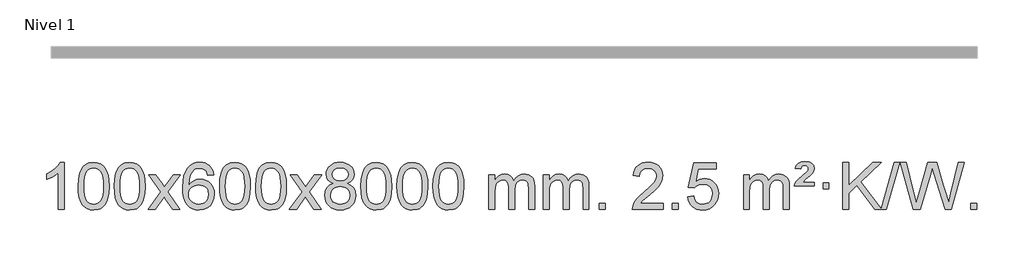
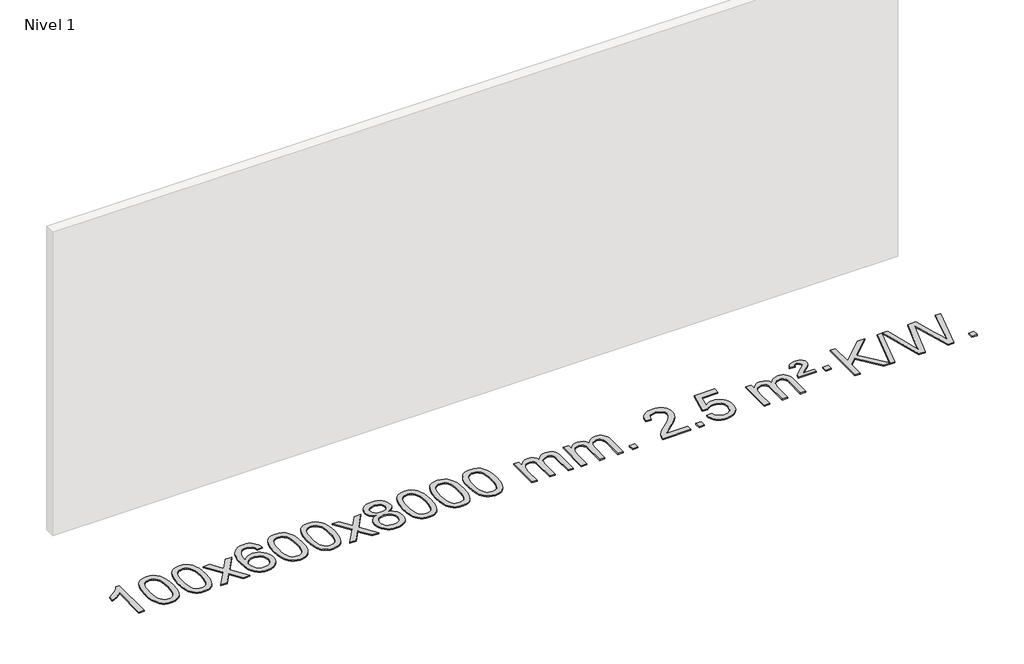
# One storey, part 2 of 14: 1 proxy.
"""IFC4 building model written with IfcOpenShell, lengths in millimetres."""

from ifc_helpers import new_model, si_unit, origin, origin_with_axes, place, context, project, spatial, polyline, outline, extrude, element, save

model = new_model("IFC4")

# Units and contexts
model_context = context("Model", 3, world=origin())
ifc_project = project(units=[si_unit("LENGTHUNIT", "METRE", prefix="MILLI")], contexts=[model_context])

# Site, building, storey
site = spatial("IfcSite", under=ifc_project)
building = spatial("IfcBuilding", under=site)
storey = spatial("IfcBuildingStorey", under=building, Name="Nivel 1", Elevation=0.0)

# Proxy
placement = place(None, origin())
element("IfcBuildingElementProxy", 1, Name="Texto de modelo 1", ObjectType="Texto de modelo 1", at=placement, inside=storey, context=model_context, shape_type="SweptSolid", body=[
    extrude(outline(polyline([(-12921.6378538, -3395.579453), (-12971.8660089, -3395.579453), (-12971.8660089, -3082.4382987), (-12992.8352826, -3099.3976587), (-13019.4454136, -3116.3324932), (-13072.3223191, -3141.6918254), (-13072.3223191, -3094.2105225), (-13032.8731065, -3072.7507395), (-12998.6968691, -3047.219729), (-12971.7556443, -3020.0700378), (-12954.0114694, -2993.7542124), (-12921.6378538, -2993.7542124), (-12921.6378538, -3395.579453)])), origin_with_axes(), (0.0, 0.0, 1.0), 10.0),
    extrude(outline(polyline([(-12802.3459855, -3197.9041943), (-12798.6549029, -3133.5861588), (-12787.5816548, -3082.2911459), (-12769.236606, -3043.2343407), (-12757.378543, -3028.0009605), (-12743.730121, -3015.6309284), (-12728.2453547, -3006.0598651), (-12710.8782588, -2999.2233914), (-12670.4970785, -2993.7542124), (-12639.5459399, -2996.991574), (-12611.832163, -3006.7036586), (-12588.6555973, -3022.5103217), (-12571.3160926, -3044.0314184), (-12558.2194935, -3071.0830078), (-12547.7716449, -3103.4811488), (-12540.9290398, -3144.6226186), (-12538.6481714, -3197.9041943), (-12542.3024659, -3261.8543477), (-12553.2653493, -3313.0267333), (-12571.5000336, -3352.1203266), (-12583.3305054, -3367.3996922), (-12596.9697304, -3379.8341036), (-12612.4728908, -3389.4695462), (-12629.8951689, -3396.3520052), (-12670.4970785, -3401.8579724), (-12698.1618045, -3399.4667394), (-12722.6872709, -3392.2930405), (-12744.0734775, -3380.3368757), (-12762.3204245, -3363.5982449), (-12779.8316074, -3333.3399508), (-12792.3395953, -3295.6381776), (-12799.844388, -3250.4929255), (-12802.3459855, -3197.9041943)]), holes=[polyline([(-12752.1178305, -3197.8060924), (-12750.6463025, -3241.4706195), (-12746.2317185, -3276.8148822), (-12738.8740786, -3303.8388804), (-12728.5733828, -3322.5426142), (-12716.1144459, -3335.2682656), (-12702.2820829, -3344.3580165), (-12687.0762937, -3349.8118671), (-12670.4970785, -3351.6298173), (-12653.9178632, -3349.8057357), (-12638.7120741, -3344.3334911), (-12624.8797111, -3335.2130833), (-12612.4207742, -3322.4445124), (-12602.1200783, -3303.7101217), (-12594.7624384, -3276.6922549), (-12590.3478545, -3241.3909118), (-12588.8763265, -3197.8060924), (-12590.2988035, -3155.2973278), (-12594.5662347, -3120.5753989), (-12601.6786199, -3093.6403055), (-12611.6359592, -3074.4920476), (-12623.8864297, -3061.1440625), (-12637.8782082, -3051.6097875), (-12653.6112949, -3045.8892225), (-12671.0856897, -3043.9823675), (-12687.5790658, -3045.6623619), (-12702.5273375, -3050.7023452), (-12715.9305049, -3059.1023175), (-12727.7885679, -3070.8622786), (-12738.4326203, -3091.708925), (-12746.0355148, -3119.8151094), (-12750.5972516, -3155.1808319), (-12752.1178305, -3197.8060924)])]), origin_with_axes(), (0.0, 0.0, 1.0), 10.0),
    extrude(outline(polyline([(-12494.6985357, -3197.9041943), (-12491.007453, -3133.5861588), (-12479.934205, -3082.2911459), (-12461.5891561, -3043.2343407), (-12449.7310932, -3028.0009605), (-12436.0826711, -3015.6309284), (-12420.5979048, -3006.0598651), (-12403.230809, -2999.2233914), (-12362.8496286, -2993.7542124), (-12331.8984901, -2996.991574), (-12304.1847131, -3006.7036586), (-12281.0081474, -3022.5103217), (-12263.6686427, -3044.0314184), (-12250.5720437, -3071.0830078), (-12240.1241951, -3103.4811488), (-12233.2815899, -3144.6226186), (-12231.0007216, -3197.9041943), (-12234.6550161, -3261.8543477), (-12245.6178995, -3313.0267333), (-12263.8525837, -3352.1203266), (-12275.6830556, -3367.3996922), (-12289.3222805, -3379.8341036), (-12304.825441, -3389.4695462), (-12322.2477191, -3396.3520052), (-12362.8496286, -3401.8579724), (-12390.5143547, -3399.4667394), (-12415.039821, -3392.2930405), (-12436.4260277, -3380.3368757), (-12454.6729746, -3363.5982449), (-12472.1841576, -3333.3399508), (-12484.6921454, -3295.6381776), (-12492.1969381, -3250.4929255), (-12494.6985357, -3197.9041943)]), holes=[polyline([(-12444.4703806, -3197.8060924), (-12442.9988527, -3241.4706195), (-12438.5842687, -3276.8148822), (-12431.2266288, -3303.8388804), (-12420.9259329, -3322.5426142), (-12408.466996, -3335.2682656), (-12394.634633, -3344.3580165), (-12379.4288439, -3349.8118671), (-12362.8496286, -3351.6298173), (-12346.2704134, -3349.8057357), (-12331.0646243, -3344.3334911), (-12317.2322612, -3335.2130833), (-12304.7733243, -3322.4445124), (-12294.4726285, -3303.7101217), (-12287.1149886, -3276.6922549), (-12282.7004046, -3241.3909118), (-12281.2288766, -3197.8060924), (-12282.6513537, -3155.2973278), (-12286.9187848, -3120.5753989), (-12294.0311701, -3093.6403055), (-12303.9885094, -3074.4920476), (-12316.2389799, -3061.1440625), (-12330.2307584, -3051.6097875), (-12345.9638451, -3045.8892225), (-12363.4382398, -3043.9823675), (-12379.931616, -3045.6623619), (-12394.8798877, -3050.7023452), (-12408.283055, -3059.1023175), (-12420.141118, -3070.8622786), (-12430.7851704, -3091.708925), (-12438.388065, -3119.8151094), (-12442.9498017, -3155.1808319), (-12444.4703806, -3197.8060924)])]), origin_with_axes(), (0.0, 0.0, 1.0), 10.0),
    extrude(outline(polyline([(-12205.886644, -3395.579453), (-12098.5632033, -3247.2494325), (-12199.6081246, -3100.4890419), (-12139.1773756, -3100.4890419), (-12090.4207485, -3171.122385), (-12067.6611157, -3204.4770192), (-12047.9426408, -3177.2047007), (-11992.416985, -3100.4890419), (-11931.9862359, -3100.4890419), (-12038.1324542, -3247.2494325), (-11935.9103105, -3395.579453), (-11996.3410596, -3395.579453), (-12057.8509292, -3306.4048574), (-12069.1326437, -3290.1199477), (-12145.455895, -3395.579453), (-12205.886644, -3395.579453)])), origin_with_axes(), (0.0, 0.0, 1.0), 10.0),
    extrude(outline(polyline([(-11647.0984188, -3100.4890419), (-11697.3265739, -3106.7675613), (-11705.4199778, -3081.874213), (-11716.3583358, -3064.8780648), (-11739.142494, -3049.2062918), (-11766.6845927, -3043.9823675), (-11790.0328367, -3047.0235253), (-11812.0076545, -3056.1469988), (-11830.8800009, -3075.3627017), (-11846.2942565, -3101.8134171), (-11856.7053169, -3139.227016), (-11860.5680779, -3191.3313693), (-11840.4204073, -3167.8237098), (-11816.2750857, -3151.2567573), (-11789.4810137, -3141.434308), (-11761.387092, -3138.1601582), (-11737.2540331, -3140.398107), (-11714.9849097, -3147.1119534), (-11694.5797217, -3158.3016975), (-11676.0384691, -3173.9673391), (-11660.6303449, -3193.1769106), (-11649.6245419, -3214.9984443), (-11643.02106, -3239.4319401), (-11640.8198994, -3266.4773982), (-11644.9647033, -3302.4439945), (-11657.3991147, -3335.786366), (-11677.0930642, -3364.0642287), (-11703.0164821, -3384.8372987), (-11733.9921461, -3397.602804), (-11768.8428338, -3401.8579724), (-11798.7853625, -3399.0375437), (-11825.8277548, -3390.5762579), (-11849.9700107, -3376.4741147), (-11871.2121303, -3356.7311143), (-11888.5301752, -3330.5133908), (-11900.9002073, -3296.9870783), (-11908.3222266, -3256.1521768), (-11910.796233, -3208.0086864), (-11908.0493807, -3154.0342663), (-11899.808824, -3107.9693092), (-11886.0745629, -3069.8138149), (-11866.8465973, -3039.5677835), (-11846.0060823, -3019.5243462), (-11821.8423665, -3005.2076052), (-11794.3554501, -2996.6175606), (-11763.545333, -2993.7542124), (-11740.4116869, -2995.5261773), (-11719.47307, -3000.8420722), (-11700.7294824, -3009.7018969), (-11684.1809239, -3022.1056515), (-11670.2749845, -3037.6364031), (-11659.4592539, -3055.8772186), (-11651.733732, -3076.8280983), (-11647.0984188, -3100.4890419)]), holes=[polyline([(-11860.5680779, -3265.6925832), (-11857.6618101, -3287.9494439), (-11848.9430068, -3309.2007605), (-11835.4049494, -3327.472233), (-11818.0409193, -3340.7895612), (-11797.0839083, -3348.9197533), (-11772.7669084, -3351.6298173), (-11739.6207406, -3346.0134855), (-11725.7056041, -3338.9930708), (-11713.5624326, -3329.1644901), (-11703.7123922, -3316.9262824), (-11696.676649, -3302.6769865), (-11691.0480545, -3268.1451299), (-11696.6030726, -3234.9989621), (-11703.5468453, -3221.3781312), (-11713.268127, -3209.725469), (-11725.4480867, -3200.3904634), (-11739.7678934, -3193.7226022), (-11774.8270476, -3188.3883133), (-11807.9241644, -3193.7226022), (-11835.6011532, -3209.725469), (-11846.5241827, -3221.2248471), (-11854.3263467, -3234.3858254), (-11859.0076451, -3249.2084042), (-11860.5680779, -3265.6925832)])]), origin_with_axes(), (0.0, 0.0, 1.0), 10.0),
    extrude(outline(polyline([(-11596.8702638, -3197.9041943), (-11593.1791811, -3133.5861588), (-11582.105933, -3082.2911459), (-11563.7608842, -3043.2343407), (-11551.9028212, -3028.0009605), (-11538.2543992, -3015.6309284), (-11522.7696329, -3006.0598651), (-11505.402537, -2999.2233914), (-11465.0213567, -2993.7542124), (-11434.0702182, -2996.991574), (-11406.3564412, -3006.7036586), (-11383.1798755, -3022.5103217), (-11365.8403708, -3044.0314184), (-11352.7437718, -3071.0830078), (-11342.2959231, -3103.4811488), (-11335.453318, -3144.6226186), (-11333.1724496, -3197.9041943), (-11336.8267441, -3261.8543477), (-11347.7896275, -3313.0267333), (-11366.0243118, -3352.1203266), (-11377.8547836, -3367.3996922), (-11391.4940086, -3379.8341036), (-11406.997169, -3389.4695462), (-11424.4194471, -3396.3520052), (-11465.0213567, -3401.8579724), (-11492.6860827, -3399.4667394), (-11517.2115491, -3392.2930405), (-11538.5977557, -3380.3368757), (-11556.8447027, -3363.5982449), (-11574.3558856, -3333.3399508), (-11586.8638735, -3295.6381776), (-11594.3686662, -3250.4929255), (-11596.8702638, -3197.9041943)]), holes=[polyline([(-11546.6421087, -3197.8060924), (-11545.1705807, -3241.4706195), (-11540.7559968, -3276.8148822), (-11533.3983568, -3303.8388804), (-11523.097661, -3322.5426142), (-11510.6387241, -3335.2682656), (-11496.8063611, -3344.3580165), (-11481.6005719, -3349.8118671), (-11465.0213567, -3351.6298173), (-11448.4421414, -3349.8057357), (-11433.2363523, -3344.3334911), (-11419.4039893, -3335.2130833), (-11406.9450524, -3322.4445124), (-11396.6443565, -3303.7101217), (-11389.2867166, -3276.6922549), (-11384.8721327, -3241.3909118), (-11383.4006047, -3197.8060924), (-11384.8230817, -3155.2973278), (-11389.0905129, -3120.5753989), (-11396.2028981, -3093.6403055), (-11406.1602375, -3074.4920476), (-11418.4107079, -3061.1440625), (-11432.4024864, -3051.6097875), (-11448.1355731, -3045.8892225), (-11465.6099679, -3043.9823675), (-11482.103344, -3045.6623619), (-11497.0516157, -3050.7023452), (-11510.4547831, -3059.1023175), (-11522.3128461, -3070.8622786), (-11532.9568985, -3091.708925), (-11540.559793, -3119.8151094), (-11545.1215298, -3155.1808319), (-11546.6421087, -3197.8060924)])]), origin_with_axes(), (0.0, 0.0, 1.0), 10.0),
    extrude(outline(polyline([(-11289.2228139, -3197.9041943), (-11285.5317312, -3133.5861588), (-11274.4584832, -3082.2911459), (-11256.1134344, -3043.2343407), (-11244.2553714, -3028.0009605), (-11230.6069494, -3015.6309284), (-11215.122183, -3006.0598651), (-11197.7550872, -2999.2233914), (-11157.3739068, -2993.7542124), (-11126.4227683, -2996.991574), (-11098.7089913, -3006.7036586), (-11075.5324257, -3022.5103217), (-11058.1929209, -3044.0314184), (-11045.0963219, -3071.0830078), (-11034.6484733, -3103.4811488), (-11027.8058681, -3144.6226186), (-11025.5249998, -3197.9041943), (-11029.1792943, -3261.8543477), (-11040.1421777, -3313.0267333), (-11058.3768619, -3352.1203266), (-11070.2073338, -3367.3996922), (-11083.8465587, -3379.8341036), (-11099.3497192, -3389.4695462), (-11116.7719973, -3396.3520052), (-11157.3739068, -3401.8579724), (-11185.0386329, -3399.4667394), (-11209.5640992, -3392.2930405), (-11230.9503059, -3380.3368757), (-11249.1972528, -3363.5982449), (-11266.7084358, -3333.3399508), (-11279.2164236, -3295.6381776), (-11286.7212164, -3250.4929255), (-11289.2228139, -3197.9041943)]), holes=[polyline([(-11238.9946588, -3197.8060924), (-11237.5231309, -3241.4706195), (-11233.1085469, -3276.8148822), (-11225.750907, -3303.8388804), (-11215.4502112, -3322.5426142), (-11202.9912742, -3335.2682656), (-11189.1589112, -3344.3580165), (-11173.9531221, -3349.8118671), (-11157.3739068, -3351.6298173), (-11140.7946916, -3349.8057357), (-11125.5889025, -3344.3334911), (-11111.7565394, -3335.2130833), (-11099.2976025, -3322.4445124), (-11088.9969067, -3303.7101217), (-11081.6392668, -3276.6922549), (-11077.2246828, -3241.3909118), (-11075.7531548, -3197.8060924), (-11077.1756319, -3155.2973278), (-11081.443063, -3120.5753989), (-11088.5554483, -3093.6403055), (-11098.5127876, -3074.4920476), (-11110.7632581, -3061.1440625), (-11124.7550366, -3051.6097875), (-11140.4881233, -3045.8892225), (-11157.962518, -3043.9823675), (-11174.4558942, -3045.6623619), (-11189.4041659, -3050.7023452), (-11202.8073333, -3059.1023175), (-11214.6653962, -3070.8622786), (-11225.3094486, -3091.708925), (-11232.9123432, -3119.8151094), (-11237.4740799, -3155.1808319), (-11238.9946588, -3197.8060924)])]), origin_with_axes(), (0.0, 0.0, 1.0), 10.0),
    extrude(outline(polyline([(-11000.4109222, -3395.579453), (-10893.0874815, -3247.2494325), (-10994.1324029, -3100.4890419), (-10933.7016538, -3100.4890419), (-10884.9450267, -3171.122385), (-10862.1853939, -3204.4770192), (-10842.466919, -3177.2047007), (-10786.9412632, -3100.4890419), (-10726.5105141, -3100.4890419), (-10832.6567324, -3247.2494325), (-10730.4345887, -3395.579453), (-10790.8653378, -3395.579453), (-10852.3752074, -3306.4048574), (-10863.6569219, -3290.1199477), (-10939.9801732, -3395.579453), (-11000.4109222, -3395.579453)])), origin_with_axes(), (0.0, 0.0, 1.0), 10.0),
    extrude(outline(polyline([(-10625.8580002, -3174.2616447), (-10652.7501741, -3161.0178929), (-10671.6225204, -3143.0652515), (-10682.7693449, -3120.7716026), (-10686.484953, -3094.5048281), (-10684.461602, -3074.0199324), (-10678.3915491, -3055.2395565), (-10668.2747943, -3038.1637006), (-10654.1113374, -3022.7923645), (-10636.5817604, -3010.088173), (-10616.3666447, -3001.0137504), (-10593.4659905, -2995.5690969), (-10567.8797978, -2993.7542124), (-10542.1709777, -2995.6120165), (-10519.0986452, -3001.1854287), (-10498.6628004, -3010.4744491), (-10480.8634432, -3023.4790776), (-10466.442469, -3039.1508506), (-10456.1417731, -3056.4413044), (-10449.9613556, -3075.3504389), (-10447.9012164, -3095.8782543), (-10451.5677736, -3121.2989001), (-10462.5674453, -3143.2124043), (-10481.0228587, -3161.0546811), (-10507.0566412, -3174.2616447), (-10476.1422909, -3190.1909351), (-10453.6401755, -3213.6495436), (-10439.9181771, -3243.5092989), (-10435.3441776, -3278.6420295), (-10437.6127833, -3303.6947933), (-10444.4186002, -3326.6628926), (-10455.7616284, -3347.5463272), (-10471.6418678, -3366.3450971), (-10491.2254527, -3381.88198), (-10513.6785172, -3392.9797536), (-10539.0010612, -3399.6384177), (-10567.1930847, -3401.8579724), (-10595.3851083, -3399.6292206), (-10620.7076523, -3392.9429654), (-10643.1607167, -3381.7992066), (-10662.7443016, -3366.1979443), (-10678.6245411, -3347.26735), (-10689.9675692, -3326.135595), (-10696.7733862, -3302.8026795), (-10699.0419918, -3277.2686033), (-10694.2840513, -3240.7747094), (-10680.0102299, -3210.7555386), (-10656.9562915, -3188.2411605), (-10625.8580002, -3174.2616447)]), holes=[polyline([(-10636.2567979, -3095.9763561), (-10631.8054258, -3117.902123), (-10618.4513094, -3135.413306), (-10596.5868561, -3146.8912243), (-10566.6044735, -3150.717197), (-10537.3210667, -3146.9157497), (-10515.7877073, -3135.5114079), (-10502.5439554, -3118.5888361), (-10498.1293715, -3098.232699), (-10502.6911082, -3077.1040098), (-10516.3763185, -3059.629615), (-10538.2039835, -3047.8941794), (-10567.1930847, -3043.9823675), (-10596.3661269, -3047.8083402), (-10618.1570038, -3059.2862585), (-10631.7318494, -3076.1107284), (-10636.2567979, -3095.9763561)]), polyline([(-10648.8138367, -3275.5027698), (-10646.7169093, -3294.7184726), (-10640.4261272, -3313.3210389), (-10628.8133189, -3329.5446349), (-10610.7503129, -3341.623427), (-10589.1188516, -3349.1282197), (-10566.8006773, -3351.6298173), (-10532.6121772, -3346.3691048), (-10518.7185005, -3339.7932141), (-10506.9585394, -3330.5869672), (-10490.9188844, -3306.6869002), (-10485.5723327, -3277.0723996), (-10491.0905626, -3246.9551269), (-10507.6452524, -3222.5277625), (-10519.7240446, -3213.0854579), (-10533.8875014, -3206.3409547), (-10568.468409, -3200.9453521), (-10602.1786625, -3206.2673783), (-10615.9159893, -3212.919911), (-10627.5747829, -3222.2334569), (-10643.5040733, -3246.1948375), (-10648.8138367, -3275.5027698)])]), origin_with_axes(), (0.0, 0.0, 1.0), 10.0),
    extrude(outline(polyline([(-10391.394542, -3197.9041943), (-10387.7034593, -3133.5861588), (-10376.6302112, -3082.2911459), (-10358.2851624, -3043.2343407), (-10346.4270994, -3028.0009605), (-10332.7786774, -3015.6309284), (-10317.2939111, -3006.0598651), (-10299.9268152, -2999.2233914), (-10259.5456349, -2993.7542124), (-10228.5944964, -2996.991574), (-10200.8807194, -3006.7036586), (-10177.7041537, -3022.5103217), (-10160.364649, -3044.0314184), (-10147.26805, -3071.0830078), (-10136.8202013, -3103.4811488), (-10129.9775962, -3144.6226186), (-10127.6967278, -3197.9041943), (-10131.3510223, -3261.8543477), (-10142.3139058, -3313.0267333), (-10160.54859, -3352.1203266), (-10172.3790618, -3367.3996922), (-10186.0182868, -3379.8341036), (-10201.5214472, -3389.4695462), (-10218.9437253, -3396.3520052), (-10259.5456349, -3401.8579724), (-10287.2103609, -3399.4667394), (-10311.7358273, -3392.2930405), (-10333.1220339, -3380.3368757), (-10351.3689809, -3363.5982449), (-10368.8801639, -3333.3399508), (-10381.3881517, -3295.6381776), (-10388.8929444, -3250.4929255), (-10391.394542, -3197.9041943)]), holes=[polyline([(-10341.1663869, -3197.8060924), (-10339.6948589, -3241.4706195), (-10335.280275, -3276.8148822), (-10327.9226351, -3303.8388804), (-10317.6219392, -3322.5426142), (-10305.1630023, -3335.2682656), (-10291.3306393, -3344.3580165), (-10276.1248501, -3349.8118671), (-10259.5456349, -3351.6298173), (-10242.9664196, -3349.8057357), (-10227.7606305, -3344.3334911), (-10213.9282675, -3335.2130833), (-10201.4693306, -3322.4445124), (-10191.1686347, -3303.7101217), (-10183.8109948, -3276.6922549), (-10179.3964109, -3241.3909118), (-10177.9248829, -3197.8060924), (-10179.3473599, -3155.2973278), (-10183.6147911, -3120.5753989), (-10190.7271763, -3093.6403055), (-10200.6845157, -3074.4920476), (-10212.9349861, -3061.1440625), (-10226.9267646, -3051.6097875), (-10242.6598513, -3045.8892225), (-10260.1342461, -3043.9823675), (-10276.6276222, -3045.6623619), (-10291.5758939, -3050.7023452), (-10304.9790613, -3059.1023175), (-10316.8371243, -3070.8622786), (-10327.4811767, -3091.708925), (-10335.0840712, -3119.8151094), (-10339.645808, -3155.1808319), (-10341.1663869, -3197.8060924)])]), origin_with_axes(), (0.0, 0.0, 1.0), 10.0),
    extrude(outline(polyline([(-10083.7470921, -3197.9041943), (-10080.0560094, -3133.5861588), (-10068.9827614, -3082.2911459), (-10050.6377126, -3043.2343407), (-10038.7796496, -3028.0009605), (-10025.1312276, -3015.6309284), (-10009.6464612, -3006.0598651), (-9992.2793654, -2999.2233914), (-9951.8981851, -2993.7542124), (-9920.9470465, -2996.991574), (-9893.2332696, -3006.7036586), (-9870.0567039, -3022.5103217), (-9852.7171992, -3044.0314184), (-9839.6206001, -3071.0830078), (-9829.1727515, -3103.4811488), (-9822.3301463, -3144.6226186), (-9820.049278, -3197.9041943), (-9823.7035725, -3261.8543477), (-9834.6664559, -3313.0267333), (-9852.9011401, -3352.1203266), (-9864.731612, -3367.3996922), (-9878.3708369, -3379.8341036), (-9893.8739974, -3389.4695462), (-9911.2962755, -3396.3520052), (-9951.8981851, -3401.8579724), (-9979.5629111, -3399.4667394), (-10004.0883774, -3392.2930405), (-10025.4745841, -3380.3368757), (-10043.721531, -3363.5982449), (-10061.232714, -3333.3399508), (-10073.7407019, -3295.6381776), (-10081.2454946, -3250.4929255), (-10083.7470921, -3197.9041943)]), holes=[polyline([(-10033.518937, -3197.8060924), (-10032.0474091, -3241.4706195), (-10027.6328251, -3276.8148822), (-10020.2751852, -3303.8388804), (-10009.9744894, -3322.5426142), (-9997.5155525, -3335.2682656), (-9983.6831894, -3344.3580165), (-9968.4774003, -3349.8118671), (-9951.8981851, -3351.6298173), (-9935.3189698, -3349.8057357), (-9920.1131807, -3344.3334911), (-9906.2808176, -3335.2130833), (-9893.8218807, -3322.4445124), (-9883.5211849, -3303.7101217), (-9876.163545, -3276.6922549), (-9871.748961, -3241.3909118), (-9870.2774331, -3197.8060924), (-9871.6999101, -3155.2973278), (-9875.9673412, -3120.5753989), (-9883.0797265, -3093.6403055), (-9893.0370658, -3074.4920476), (-9905.2875363, -3061.1440625), (-9919.2793148, -3051.6097875), (-9935.0124015, -3045.8892225), (-9952.4867962, -3043.9823675), (-9968.9801724, -3045.6623619), (-9983.9284441, -3050.7023452), (-9997.3316115, -3059.1023175), (-10009.1896744, -3070.8622786), (-10019.8337268, -3091.708925), (-10027.4366214, -3119.8151094), (-10031.9983581, -3155.1808319), (-10033.518937, -3197.8060924)])]), origin_with_axes(), (0.0, 0.0, 1.0), 10.0),
    extrude(outline(polyline([(-9776.0996423, -3197.9041943), (-9772.4085596, -3133.5861588), (-9761.3353115, -3082.2911459), (-9742.9902627, -3043.2343407), (-9731.1321997, -3028.0009605), (-9717.4837777, -3015.6309284), (-9701.9990114, -3006.0598651), (-9684.6319156, -2999.2233914), (-9644.2507352, -2993.7542124), (-9613.2995967, -2996.991574), (-9585.5858197, -3006.7036586), (-9562.409254, -3022.5103217), (-9545.0697493, -3044.0314184), (-9531.9731503, -3071.0830078), (-9521.5253016, -3103.4811488), (-9514.6826965, -3144.6226186), (-9512.4018281, -3197.9041943), (-9516.0561226, -3261.8543477), (-9527.0190061, -3313.0267333), (-9545.2536903, -3352.1203266), (-9557.0841621, -3367.3996922), (-9570.7233871, -3379.8341036), (-9586.2265475, -3389.4695462), (-9603.6488257, -3396.3520052), (-9644.2507352, -3401.8579724), (-9671.9154613, -3399.4667394), (-9696.4409276, -3392.2930405), (-9717.8271343, -3380.3368757), (-9736.0740812, -3363.5982449), (-9753.5852642, -3333.3399508), (-9766.093252, -3295.6381776), (-9773.5980447, -3250.4929255), (-9776.0996423, -3197.9041943)]), holes=[polyline([(-9725.8714872, -3197.8060924), (-9724.3999592, -3241.4706195), (-9719.9853753, -3276.8148822), (-9712.6277354, -3303.8388804), (-9702.3270395, -3322.5426142), (-9689.8681026, -3335.2682656), (-9676.0357396, -3344.3580165), (-9660.8299505, -3349.8118671), (-9644.2507352, -3351.6298173), (-9627.67152, -3349.8057357), (-9612.4657308, -3344.3334911), (-9598.6333678, -3335.2130833), (-9586.1744309, -3322.4445124), (-9575.873735, -3303.7101217), (-9568.5160951, -3276.6922549), (-9564.1015112, -3241.3909118), (-9562.6299832, -3197.8060924), (-9564.0524603, -3155.2973278), (-9568.3198914, -3120.5753989), (-9575.4322767, -3093.6403055), (-9585.389616, -3074.4920476), (-9597.6400864, -3061.1440625), (-9611.631865, -3051.6097875), (-9627.3649516, -3045.8892225), (-9644.8393464, -3043.9823675), (-9661.3327225, -3045.6623619), (-9676.2809943, -3050.7023452), (-9689.6841616, -3059.1023175), (-9701.5422246, -3070.8622786), (-9712.186277, -3091.708925), (-9719.7891716, -3119.8151094), (-9724.3509083, -3155.1808319), (-9725.8714872, -3197.8060924)])]), origin_with_axes(), (0.0, 0.0, 1.0), 10.0),
    extrude(outline(polyline([(-9298.9321691, -3395.579453), (-9298.9321691, -3100.4890419), (-9248.704014, -3100.4890419), (-9248.704014, -3149.0494653), (-9233.5963267, -3126.7435537), (-9214.1721574, -3109.2691589), (-9191.0936936, -3097.9751816), (-9165.0231228, -3094.2105225), (-9137.0886167, -3098.048758), (-9114.6968659, -3109.5634645), (-9097.9704978, -3127.9943524), (-9087.0321399, -3152.5811324), (-9068.7238792, -3127.0439906), (-9047.8404446, -3108.803175), (-9024.3818361, -3097.8586857), (-8998.3480536, -3094.2105225), (-8978.2402368, -3095.7280358), (-8960.5910981, -3100.2805755), (-8945.4006374, -3107.8681416), (-8932.6688547, -3118.4907342), (-8922.6042164, -3132.2709806), (-8915.4151891, -3149.3315082), (-8911.1017727, -3169.6723168), (-8909.6639672, -3193.2934066), (-8909.6639672, -3395.579453), (-8959.8921223, -3395.579453), (-8959.8921223, -3214.875817), (-8961.057082, -3189.8230531), (-8964.5519609, -3172.9372695), (-8971.1002604, -3161.3735121), (-8981.4254818, -3152.2868268), (-8994.7060218, -3146.4007149), (-9010.1202774, -3144.4386776), (-9037.3312823, -3149.4663982), (-9059.5145666, -3164.54956), (-9068.1199396, -3176.1194488), (-9074.2666346, -3190.7182326), (-9079.1839906, -3229.0024856), (-9079.1839906, -3395.579453), (-9129.4121457, -3395.579453), (-9129.4121457, -3209.2840106), (-9132.3184135, -3180.8835206), (-9141.0372167, -3160.6254854), (-9156.3778959, -3148.4853796), (-9179.1497914, -3144.4386776), (-9198.5003844, -3147.1364789), (-9216.3303984, -3155.2298828), (-9231.0456782, -3168.5226856), (-9241.0520685, -3186.8186835), (-9246.7910276, -3212.2025411), (-9248.704014, -3246.7589232), (-9248.704014, -3395.579453), (-9298.9321691, -3395.579453)])), origin_with_axes(), (0.0, 0.0, 1.0), 10.0),
    extrude(outline(polyline([(-8834.3217346, -3395.579453), (-8834.3217346, -3100.4890419), (-8784.0935796, -3100.4890419), (-8784.0935796, -3149.0494653), (-8768.9858923, -3126.7435537), (-8749.5617229, -3109.2691589), (-8726.4832591, -3097.9751816), (-8700.4126884, -3094.2105225), (-8672.4781822, -3098.048758), (-8650.0864315, -3109.5634645), (-8633.3600634, -3127.9943524), (-8622.4217054, -3152.5811324), (-8604.1134448, -3127.0439906), (-8583.2300102, -3108.803175), (-8559.7714016, -3097.8586857), (-8533.7376191, -3094.2105225), (-8513.6298024, -3095.7280358), (-8495.9806637, -3100.2805755), (-8480.790203, -3107.8681416), (-8468.0584202, -3118.4907342), (-8457.993782, -3132.2709806), (-8450.8047547, -3149.3315082), (-8446.4913383, -3169.6723168), (-8445.0535328, -3193.2934066), (-8445.0535328, -3395.579453), (-8495.2816879, -3395.579453), (-8495.2816879, -3214.875817), (-8496.4466475, -3189.8230531), (-8499.9415265, -3172.9372695), (-8506.489826, -3161.3735121), (-8516.8150473, -3152.2868268), (-8530.0955874, -3146.4007149), (-8545.509843, -3144.4386776), (-8572.7208479, -3149.4663982), (-8594.9041322, -3164.54956), (-8603.5095052, -3176.1194488), (-8609.6562002, -3190.7182326), (-8614.5735562, -3229.0024856), (-8614.5735562, -3395.579453), (-8664.8017113, -3395.579453), (-8664.8017113, -3209.2840106), (-8667.707979, -3180.8835206), (-8676.4267823, -3160.6254854), (-8691.7674615, -3148.4853796), (-8714.539357, -3144.4386776), (-8733.88995, -3147.1364789), (-8751.719964, -3155.2298828), (-8766.4352438, -3168.5226856), (-8776.4416341, -3186.8186835), (-8782.1805932, -3212.2025411), (-8784.0935796, -3246.7589232), (-8784.0935796, -3395.579453), (-8834.3217346, -3395.579453)])), origin_with_axes(), (0.0, 0.0, 1.0), 10.0),
    extrude(outline(polyline([(-8357.1542614, -3395.579453), (-8357.1542614, -3345.3512979), (-8306.9261064, -3345.3512979), (-8306.9261064, -3395.579453), (-8357.1542614, -3395.579453)])), origin_with_axes(), (0.0, 0.0, 1.0), 10.0),
    extrude(outline(polyline([(-7810.923075, -3345.3512979), (-7810.923075, -3395.579453), (-8074.6208891, -3395.579453), (-8073.5172431, -3377.8965918), (-8069.2252865, -3360.9494945), (-8056.839926, -3333.8856424), (-8038.7156064, -3307.6311307), (-8012.4978829, -3280.1503456), (-7975.8323107, -3249.4076736), (-7921.6310301, -3201.2641831), (-7889.1102617, -3165.7267824), (-7872.8498775, -3136.884834), (-7867.4297494, -3108.8277005), (-7872.5433092, -3083.6768347), (-7887.8839884, -3062.7688747), (-7911.4652243, -3048.6789943), (-7941.3004541, -3043.9823675), (-7972.6317373, -3048.5686297), (-7996.9732627, -3062.3274163), (-8012.6818239, -3084.1796068), (-8018.1142147, -3113.0460807), (-8068.3423697, -3106.7675613), (-8064.022822, -3080.838012), (-8056.1654757, -3058.1826125), (-8044.7703309, -3038.8013627), (-8029.8373876, -3022.6942627), (-8011.7100023, -3010.0329907), (-7990.7315315, -3000.989225), (-7966.9019753, -2995.5629655), (-7940.2213336, -2993.7542124), (-7913.3015686, -2995.7653006), (-7889.3432536, -3001.7985654), (-7868.3463888, -3011.8540066), (-7850.3109739, -3025.9316242), (-7835.8256204, -3042.9890861), (-7825.4789393, -3061.9840598), (-7819.2709306, -3082.9165453), (-7817.2015944, -3105.7865427), (-7819.4334118, -3129.8092369), (-7826.1288641, -3153.4149983), (-7838.0114526, -3177.4254299), (-7855.8046784, -3202.6621347), (-7884.1683802, -3232.7916701), (-7927.7623967, -3271.4805933), (-7985.5443954, -3319.795762), (-8008.2059263, -3345.3512979), (-7810.923075, -3345.3512979)])), origin_with_axes(), (0.0, 0.0, 1.0), 10.0),
    extrude(outline(polyline([(-7735.5808424, -3395.579453), (-7735.5808424, -3345.3512979), (-7685.3526873, -3345.3512979), (-7685.3526873, -3395.579453), (-7735.5808424, -3395.579453)])), origin_with_axes(), (0.0, 0.0, 1.0), 10.0),
    extrude(outline(polyline([(-7603.7319353, -3288.8446235), (-7553.5037802, -3282.5661041), (-7544.2822049, -3312.7201649), (-7528.193499, -3334.3148381), (-7505.3112389, -3347.3010725), (-7475.709001, -3351.6298173), (-7456.5791372, -3350.1245668), (-7439.7056164, -3345.6088153), (-7425.0884384, -3338.0825628), (-7412.7276034, -3327.5458094), (-7402.8990228, -3314.519721), (-7395.878608, -3299.5254641), (-7390.2622762, -3263.6324441), (-7395.5229888, -3229.8363514), (-7402.0988794, -3215.9181493), (-7411.3051264, -3203.9865099), (-7423.1723864, -3194.4154467), (-7437.7313163, -3187.5789729), (-7474.9241861, -3182.1097939), (-7499.2902369, -3184.2925604), (-7519.0209745, -3190.8408599), (-7534.7785867, -3200.8717757), (-7547.2252608, -3213.5023908), (-7597.4534159, -3207.2238715), (-7553.5037802, -3000.0327318), (-7358.8696793, -3000.0327318), (-7358.8696793, -3050.2608869), (-7512.889608, -3050.2608869), (-7534.3739165, -3160.919791), (-7516.6481357, -3148.2155994), (-7498.4931592, -3139.1411769), (-7479.9089871, -3133.6965234), (-7460.8956193, -3131.8816388), (-7436.4345323, -3134.1318504), (-7413.9661395, -3140.882485), (-7393.4904407, -3152.1335427), (-7375.0074362, -3167.8850234), (-7359.7066109, -3187.1743027), (-7348.7774499, -3209.038756), (-7342.2199533, -3233.4783832), (-7340.0341212, -3260.4931844), (-7342.0022898, -3286.5147042), (-7347.9067959, -3310.7213394), (-7357.7476392, -3333.1130902), (-7371.5248199, -3353.6899565), (-7392.3959918, -3374.7634634), (-7416.7497799, -3389.8159684), (-7444.5861842, -3398.8474714), (-7475.9052047, -3401.8579724), (-7501.825557, -3399.9235262), (-7525.2381803, -3394.1201877), (-7546.1430746, -3384.447957), (-7564.5402401, -3370.9068338), (-7579.8471968, -3354.1712688), (-7591.4814649, -3334.915712), (-7599.4430444, -3313.1401636), (-7603.7319353, -3288.8446235)])), origin_with_axes(), (0.0, 0.0, 1.0), 10.0),
    extrude(outline(polyline([(-7126.5644621, -3395.579453), (-7126.5644621, -3100.4890419), (-7076.336307, -3100.4890419), (-7076.336307, -3149.0494653), (-7061.2286197, -3126.7435537), (-7041.8044504, -3109.2691589), (-7018.7259866, -3097.9751816), (-6992.6554158, -3094.2105225), (-6964.7209097, -3098.048758), (-6942.3291589, -3109.5634645), (-6925.6027909, -3127.9943524), (-6914.6644329, -3152.5811324), (-6896.3561722, -3127.0439906), (-6875.4727377, -3108.803175), (-6852.0141291, -3097.8586857), (-6825.9803466, -3094.2105225), (-6805.8725298, -3095.7280358), (-6788.2233911, -3100.2805755), (-6773.0329304, -3107.8681416), (-6760.3011477, -3118.4907342), (-6750.2365094, -3132.2709806), (-6743.0474821, -3149.3315082), (-6738.7340657, -3169.6723168), (-6737.2962603, -3193.2934066), (-6737.2962603, -3395.579453), (-6787.5244153, -3395.579453), (-6787.5244153, -3214.875817), (-6788.689375, -3189.8230531), (-6792.1842539, -3172.9372695), (-6798.7325535, -3161.3735121), (-6809.0577748, -3152.2868268), (-6822.3383148, -3146.4007149), (-6837.7525704, -3144.4386776), (-6864.9635753, -3149.4663982), (-6887.1468596, -3164.54956), (-6895.7522326, -3176.1194488), (-6901.8989276, -3190.7182326), (-6906.8162836, -3229.0024856), (-6906.8162836, -3395.579453), (-6957.0444387, -3395.579453), (-6957.0444387, -3209.2840106), (-6959.9507065, -3180.8835206), (-6968.6695098, -3160.6254854), (-6984.010189, -3148.4853796), (-7006.7820845, -3144.4386776), (-7026.1326774, -3147.1364789), (-7043.9626914, -3155.2298828), (-7058.6779713, -3168.5226856), (-7068.6843615, -3186.8186835), (-7074.4233206, -3212.2025411), (-7076.336307, -3246.7589232), (-7076.336307, -3395.579453), (-7126.5644621, -3395.579453)])), origin_with_axes(), (0.0, 0.0, 1.0), 10.0),
    extrude(outline(polyline([(-6693.3466246, -3194.6668327), (-6689.5206518, -3178.8479069), (-6681.1819933, -3162.9799302), (-6659.6731593, -3137.8413272), (-6627.7164766, -3110.1030247), (-6583.5706372, -3072.726214), (-6576.4337265, -3061.1992448), (-6574.0547563, -3049.3779701), (-6575.9432172, -3037.2869152), (-6581.6085999, -3027.5012541), (-6590.977328, -3021.026531), (-6603.9758252, -3018.8682899), (-6616.4102366, -3020.4869707), (-6625.26393, -3025.343013), (-6631.6896022, -3034.8098431), (-6636.8399501, -3050.2608869), (-6687.0681052, -3043.9823675), (-6676.2278491, -3018.7701881), (-6659.5995829, -3001.2099542), (-6635.834406, -2990.9092583), (-6603.5834178, -2987.475693), (-6567.8007624, -2991.6082341), (-6543.0545668, -3004.0058573), (-6528.6335926, -3022.3386434), (-6523.8266012, -3044.2766731), (-6527.9223541, -3067.1834586), (-6540.2096127, -3088.8149199), (-6560.737428, -3108.6314968), (-6597.2067965, -3136.6886303), (-6622.8113834, -3163.2742358), (-6523.8266012, -3163.2742358), (-6523.8266012, -3194.6668327), (-6693.3466246, -3194.6668327)])), origin_with_axes(), (0.0, 0.0, 1.0), 10.0),
    extrude(outline(polyline([(-6448.4843686, -3219.7809102), (-6448.4843686, -3169.5527552), (-6398.2562135, -3169.5527552), (-6398.2562135, -3219.7809102), (-6448.4843686, -3219.7809102)])), origin_with_axes(), (0.0, 0.0, 1.0), 10.0),
    extrude(outline(polyline([(-6007.6145856, -3395.579453), (-6161.045903, -3192.9009991), (-6228.7361901, -3257.4520265), (-6228.7361901, -3395.579453), (-6278.9643452, -3395.579453), (-6278.9643452, -2993.7542124), (-6228.7361901, -2993.7542124), (-6228.7361901, -3190.4484525), (-6022.7222728, -2993.7542124), (-5952.4813372, -2993.7542124), (-6125.4349259, -3158.9577537), (-5950.781316, -3389.5349332), (-5839.4679883, -2993.7542124), (-5794.1449265, -2993.7542124), (-5907.1582754, -3395.579453), (-5946.2028178, -3395.579453), (-5952.4813372, -3395.579453), (-6007.6145856, -3395.579453)])), origin_with_axes(), (0.0, 0.0, 1.0), 10.0),
    extrude(outline(polyline([(-5679.6600496, -3395.579453), (-5789.2398332, -2993.7542124), (-5737.4420483, -2993.7542124), (-5673.8720395, -3257.844434), (-5654.2516665, -3339.3670841), (-5633.2578673, -3267.2622131), (-5553.5991526, -2993.7542124), (-5478.943633, -2993.7542124), (-5421.0635325, -3192.0180823), (-5396.268286, -3265.5944814), (-5377.9968136, -3339.3670841), (-5358.9650517, -3260.1988788), (-5294.8064317, -2993.7542124), (-5243.0086468, -2993.7542124), (-5352.6865323, -3395.579453), (-5406.3482526, -3395.579453), (-5502.6842845, -3085.5775584), (-5516.12424, -3042.3146358), (-5531.2319273, -3094.4067263), (-5619.0330968, -3395.579453), (-5679.6600496, -3395.579453)])), origin_with_axes(), (0.0, 0.0, 1.0), 10.0),
    extrude(outline(polyline([(-5186.5019723, -3395.579453), (-5186.5019723, -3345.3512979), (-5136.2738173, -3345.3512979), (-5136.2738173, -3395.579453), (-5186.5019723, -3395.579453)])), origin_with_axes(), (0.0, 0.0, 1.0), 10.0),
])

save(model, "model.ifc")
